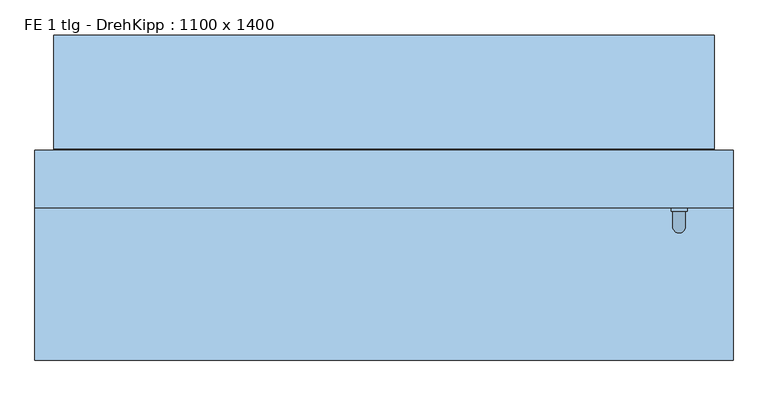
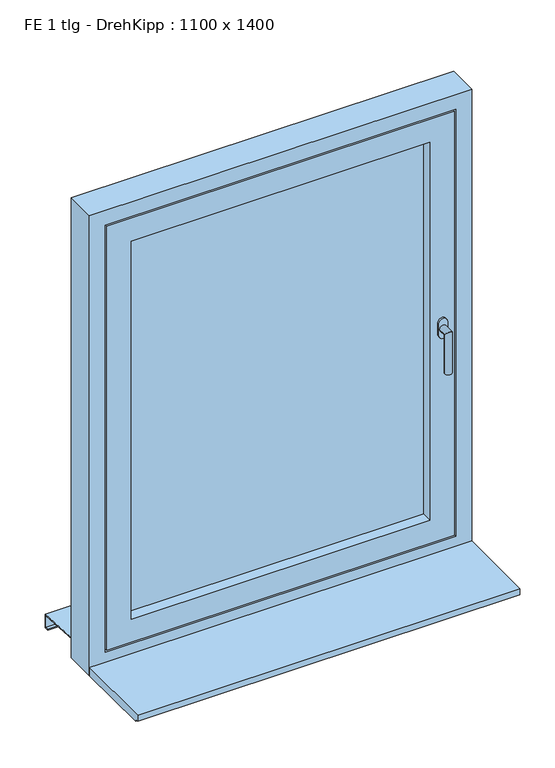
"""IFC4 building model written with IfcOpenShell, lengths in millimetres: window geometry, FE 1 tlg - DrehKipp : 1100 x 1400."""

from ifc_helpers import new_model, si_unit, frame, origin, place, context, project, spatial, polyline, circle_curve, ellipse_curve, outline, extrude, faceted_brep, source, transform, mapped, element, save
from ifc_brep_helpers import plane_surface, cylinder_surface, advanced_brep


def fe_1_tlg_drehkipp_1100_x_1400_e5350e3a(model_context):
    return source(origin(), model_context, "Body", "SolidModel", [
        advanced_brep(
        [(452.5, -5.0, 1572.5), (477.5, -5.0, 1572.5), (477.5, -5.0, 1555.0), (477.5, -5.0, 1537.5), (452.5, -5.0, 1537.5), (452.5, -5.0, 1555.0), (475.0, -35.0, 1555.0), (475.0, -11.0, 1555.0), (455.0, -11.0, 1555.0), (455.0, -35.0, 1555.0), (475.0, -35.0, 1435.0), (455.0, -35.0, 1435.0), (452.5, -11.0, 1572.5), (452.5, -11.0, 1555.0), (452.5, -11.0, 1537.5), (477.5, -11.0, 1537.5), (477.5, -11.0, 1555.0), (477.5, -11.0, 1572.5)],
        [
            (0, 1, circle_curve(frame((465.0, -5.0, 1572.5), z_axis=(0.0, 1.0, 0.0), x_axis=(-1.0, 0.0, 0.0)), 12.5)),
            (1, 2),
            (2, 3),
            (3, 4, circle_curve(frame((465.0, -5.0, 1537.5), z_axis=(0.0, 1.0, 0.0), x_axis=(-1.0, 0.0, 0.0)), 12.5)),
            (4, 5),
            (5, 0),
            (6, 7),
            (7, 8, circle_curve(frame((465.0, -11.0, 1555.0), z_axis=(0.0, -1.0, 0.0), x_axis=(-1.0, 0.0, 0.0)), 10.0)),
            (8, 9),
            (9, 6, ellipse_curve(frame((465.0, -35.0, 1555.0), z_axis=(0.0, 0.7071067811865498, 0.7071067811865451), x_axis=(0.0, 0.7071067811865452, -0.7071067811865497)), 14.1421356, 10.0)),
            (8, 7, circle_curve(frame((465.0, -11.0, 1555.0), z_axis=(0.0, -1.0, 0.0), x_axis=(-1.0, 0.0, 0.0)), 10.0)),
            (6, 9, ellipse_curve(frame((465.0, -35.0, 1555.0), z_axis=(0.0, 0.7071067811865498, 0.7071067811865451), x_axis=(0.0, 0.7071067811865452, -0.7071067811865497)), 14.1421356, 10.0)),
            (10, 11, circle_curve(frame((465.0, -35.0, 1435.0), z_axis=(0.0, 0.0, -1.0), x_axis=(-1.0, 0.0, 0.0)), 10.0)),
            (11, 10, circle_curve(frame((465.0, -35.0, 1435.0), z_axis=(0.0, 0.0, -1.0), x_axis=(-1.0, 0.0, 0.0)), 10.0)),
            (9, 11),
            (10, 6),
            (12, 13),
            (13, 14),
            (14, 15, circle_curve(frame((465.0, -11.0, 1537.5), z_axis=(0.0, -1.0, 0.0), x_axis=(-1.0, 0.0, 0.0)), 12.5)),
            (15, 16),
            (16, 17),
            (17, 12, circle_curve(frame((465.0, -11.0, 1572.5), z_axis=(0.0, -1.0, 0.0), x_axis=(-1.0, 0.0, 0.0)), 12.5)),
            (17, 1),
            (0, 12),
            (16, 2),
            (15, 3),
            (14, 4),
            (13, 5),
        ],
        [
            plane_surface(frame((465.0, -5.0, 1555.0), z_axis=(0.0, 1.0, 0.0), x_axis=(-1.0, 0.0, 0.0))),
            cylinder_surface(frame((465.0, -5.0, 1555.0), z_axis=(0.0, 1.0, 0.0), x_axis=(-1.0, 0.0, 0.0)), 10.0),
            plane_surface(frame((465.0, -35.0, 1435.0), z_axis=(0.0, 0.0, -1.0), x_axis=(-1.0, 0.0, 0.0))),
            cylinder_surface(frame((465.0, -35.0, 1555.0), z_axis=(0.0, 0.0, 1.0), x_axis=(-1.0, 0.0, 0.0)), 10.0),
            plane_surface(frame((452.5, -11.0, 1572.5), z_axis=(0.0, -1.0, 0.0), x_axis=(0.0, 0.0, 1.0))),
            cylinder_surface(frame((465.0, -5.0, 1572.5), z_axis=(0.0, -1.0, 0.0), x_axis=(-1.0, 0.0, 0.0)), 12.5),
            plane_surface(frame((477.5, -11.0, 1572.5), z_axis=(1.0, 0.0, 0.0), x_axis=(0.0, 1.0, 0.0))),
            plane_surface(frame((477.5, -11.0, 1555.0), z_axis=(1.0, 0.0, 0.0), x_axis=(0.0, 1.0, 0.0))),
            cylinder_surface(frame((465.0, -5.0, 1537.5), z_axis=(0.0, -1.0, 0.0), x_axis=(-1.0, 0.0, 0.0)), 12.5),
            plane_surface(frame((452.5, -11.0, 1537.5), z_axis=(-1.0, 0.0, 0.0), x_axis=(0.0, 1.0, 0.0))),
            plane_surface(frame((452.5, -11.0, 1555.0), z_axis=(-1.0, 0.0, 0.0), x_axis=(0.0, 1.0, 0.0))),
        ],
        [
            (0, [[1, 2, 3, 4, 5, 6]]),
            (1, [[7, 8, 9, 10]]),
            (1, [[-9, 11, -7, 12]]),
            (2, [[13, 14]]),
            (3, [[15, -13, 16, -10]]),
            (3, [[-16, -14, -15, -12]]),
            (4, [[17, 18, 19, 20, 21, 22], [-11, -8]]),
            (5, [[23, -1, 24, -22]]),
            (6, [[25, -2, -23, -21]]),
            (7, [[26, -3, -25, -20]]),
            (8, [[27, -4, -26, -19]]),
            (9, [[28, -5, -27, -18]]),
            (10, [[-24, -6, -28, -17]]),
        ],
    ),
        faceted_brep([(-430.0, -5.0, 2130.0), (-430.0, -5.0, 980.0), (-430.0, 85.0, 980.0), (-430.0, 85.0, 2130.0), (-460.0, 85.0, 950.0), (-460.0, 85.0, 2160.0), (460.0, 85.0, 2160.0), (460.0, 85.0, 950.0), (430.0, 85.0, 980.0), (430.0, 85.0, 2130.0), (430.0, -5.0, 980.0), (-500.0, -5.0, 2200.0), (-500.0, -5.0, 910.0), (500.0, -5.0, 910.0), (500.0, -5.0, 2200.0), (430.0, -5.0, 2130.0), (-500.0, 10.0, 2200.0), (-500.0, 10.0, 910.0), (500.0, 10.0, 910.0), (500.0, 10.0, 2200.0), (-485.0, 10.0, 2185.0), (-485.0, 10.0, 925.0), (485.0, 10.0, 925.0), (485.0, 10.0, 2185.0), (-485.0, 40.0, 2185.0), (-485.0, 40.0, 925.0), (485.0, 40.0, 925.0), (485.0, 40.0, 2185.0), (-475.0, 40.0, 2175.0), (-475.0, 40.0, 935.0), (475.0, 40.0, 935.0), (475.0, 40.0, 2175.0), (-475.0, 70.0, 2175.0), (-475.0, 70.0, 935.0), (475.0, 70.0, 935.0), (475.0, 70.0, 2175.0), (-460.0, 70.0, 2160.0), (-460.0, 70.0, 950.0), (460.0, 70.0, 950.0), (460.0, 70.0, 2160.0)], [[[0, 1, 2, 3]], [[4, 5, 6, 7], [3, 2, 8, 9]], [[1, 10, 8, 2]], [[11, 12, 13, 14], [1, 0, 15, 10]], [[16, 17, 12, 11]], [[17, 18, 13, 12]], [[17, 16, 19, 18], [20, 21, 22, 23]], [[24, 25, 21, 20]], [[25, 26, 22, 21]], [[25, 24, 27, 26], [28, 29, 30, 31]], [[32, 33, 29, 28]], [[33, 34, 30, 29]], [[33, 32, 35, 34], [36, 37, 38, 39]], [[5, 4, 37, 36]], [[4, 7, 38, 37]], [[10, 15, 9, 8]], [[18, 19, 14, 13]], [[26, 27, 23, 22]], [[34, 35, 31, 30]], [[7, 6, 39, 38]], [[15, 0, 3, 9]], [[19, 16, 11, 14]], [[27, 24, 20, 23]], [[35, 32, 28, 31]], [[6, 5, 36, 39]]]),
        extrude(outline(polyline([(-430.0, 70.0), (430.0, 70.0), (430.0, 26.0), (-430.0, 26.0), (-430.0, 70.0)])), frame((0.0, 0.0, 980.0), z_axis=(0.0, 0.0, 1.0), x_axis=(1.0, 0.0, 0.0)), (0.0, 0.0, 1.0), 1150.0),
        faceted_brep([(-520.0, 267.0, 860.6252434), (-520.0, 245.0, 862.0002434), (-520.0, 87.0, 871.8752434), (520.0, 87.0, 871.8752434), (520.0, 245.0, 862.0002434), (520.0, 267.0, 860.6252434), (-520.0, 267.0, 820.6252434), (520.0, 267.0, 820.6252434), (-520.0, 255.0, 820.6252434), (520.0, 255.0, 820.6252434), (-520.0, 255.0, 822.6252434), (520.0, 255.0, 822.6252434), (-520.0, 265.0, 822.6252434), (520.0, 265.0, 822.6252434), (-520.0, 265.0, 858.75), (520.0, 265.0, 858.75), (-520.0, 245.0, 860.0), (520.0, 245.0, 860.0), (520.0, 85.0, 870.0), (-520.0, 85.0, 870.0), (-520.0, 85.0, 890.0), (520.0, 85.0, 890.0), (-520.0, 87.0, 890.0), (520.0, 87.0, 890.0)], [[[0, 1, 2, 3, 4, 5]], [[6, 0, 5, 7]], [[8, 6, 7, 9]], [[10, 8, 9, 11]], [[12, 10, 11, 13]], [[14, 12, 13, 15]], [[16, 14, 15, 17, 18, 19]], [[20, 19, 18, 21]], [[22, 20, 21, 23]], [[2, 22, 23, 3]], [[16, 1, 0, 6, 8, 10, 12, 14]], [[17, 4, 3, 23, 21, 18]], [[1, 16, 19, 20, 22, 2]], [[4, 17, 15, 13, 11, 9, 7, 5]]]),
        faceted_brep([(550.0, 85.0, 850.0), (550.0, -5.0, 850.0), (-550.0, -5.0, 850.0), (-550.0, 85.0, 850.0), (550.0, 85.0, 2250.0), (550.0, -5.0, 2250.0), (-550.0, -5.0, 2250.0), (505.0, -5.0, 2205.0), (505.0, -5.0, 905.0), (-505.0, -5.0, 905.0), (-505.0, -5.0, 2205.0), (-550.0, 85.0, 2250.0), (465.0, 85.0, 945.0), (465.0, 85.0, 2165.0), (-465.0, 85.0, 2165.0), (-465.0, 85.0, 945.0), (465.0, 70.0, 945.0), (465.0, 70.0, 2165.0), (-465.0, 70.0, 945.0), (-465.0, 70.0, 2165.0), (505.0, 10.0, 2205.0), (505.0, 10.0, 905.0), (-505.0, 10.0, 905.0), (-505.0, 10.0, 2205.0), (490.0, 10.0, 2190.0), (490.0, 10.0, 920.0), (-490.0, 10.0, 920.0), (-490.0, 10.0, 2190.0), (490.0, 40.0, 920.0), (490.0, 40.0, 2190.0), (-490.0, 40.0, 2190.0), (-490.0, 40.0, 920.0), (480.0, 40.0, 2180.0), (480.0, 40.0, 930.0), (-480.0, 40.0, 930.0), (-480.0, 40.0, 2180.0), (480.0, 70.0, 930.0), (480.0, 70.0, 2180.0), (-480.0, 70.0, 2180.0), (-480.0, 70.0, 930.0)], [[[0, 1, 2, 3]], [[4, 5, 1, 0]], [[5, 6, 2, 1], [7, 8, 9, 10]], [[6, 11, 3, 2]], [[11, 4, 0, 3], [12, 13, 14, 15]], [[12, 16, 17, 13]], [[18, 15, 14, 19]], [[16, 12, 15, 18]], [[20, 21, 8, 7]], [[8, 21, 22, 9]], [[9, 22, 23, 10]], [[21, 20, 23, 22], [24, 25, 26, 27]], [[28, 29, 30, 31], [32, 33, 34, 35]], [[29, 28, 25, 24]], [[25, 28, 31, 26]], [[36, 37, 38, 39], [17, 16, 18, 19]], [[37, 36, 33, 32]], [[33, 36, 39, 34]], [[26, 31, 30, 27]], [[34, 39, 38, 35]], [[4, 11, 6, 5]], [[20, 7, 10, 23]], [[29, 24, 27, 30]], [[37, 32, 35, 38]], [[13, 17, 19, 14]]]),
        extrude(outline(polyline([(-245.0, 875.0), (-5.0, 875.0), (-5.0, 850.0), (-235.0, 850.0), (-235.0, 857.0), (-245.0, 857.0), (-245.0, 875.0)])), frame((-550.0, 0.0, 0.0), z_axis=(1.0, 0.0, 0.0), x_axis=(0.0, 1.0, 0.0)), (0.0, 0.0, 1.0), 1100.0),
    ])


if __name__ == "__main__":
    model = new_model("IFC4")
    model_context = context("Model", 3, world=origin())
    ifc_project = project(units=[si_unit("LENGTHUNIT", "METRE", prefix="MILLI")], contexts=[model_context])
    site = spatial("IfcSite", under=ifc_project)
    building = spatial("IfcBuilding", under=site)
    placement = place(None, origin())
    fe_1_tlg_drehkipp_1100_x_1400_shape = fe_1_tlg_drehkipp_1100_x_1400_e5350e3a(model_context)
    element("IfcWindow", 1, ObjectType="FE 1 tlg - DrehKipp : 1100 x 1400", at=placement, inside=building, context=model_context, shape_type="MappedRepresentation", body=[
        mapped(fe_1_tlg_drehkipp_1100_x_1400_shape, transform((0.0, 0.0, 0.0), x_axis=(1.0, 0.0, 0.0), y_axis=(0.0, 1.0, 0.0), z_axis=(0.0, 0.0, 1.0))),
    ])
    save(model, "model.ifc")
